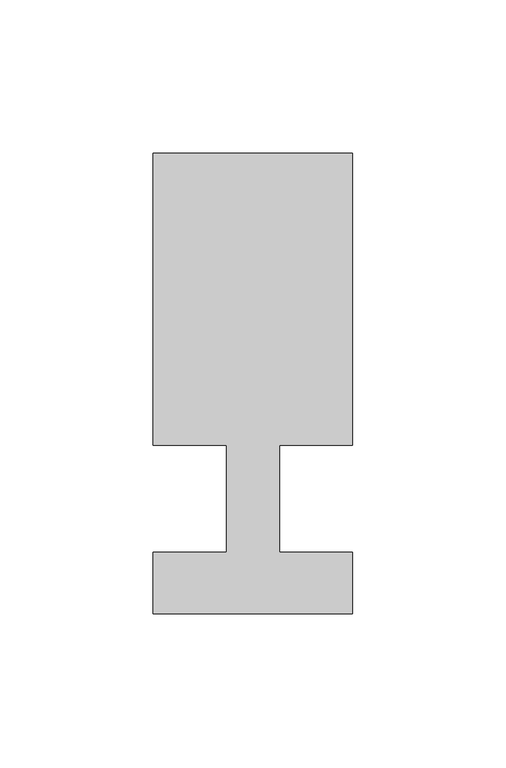
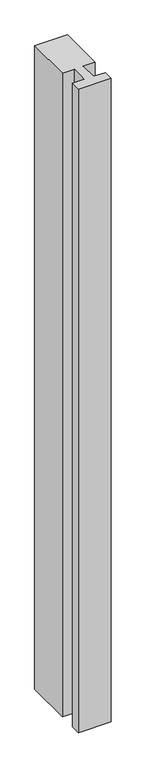
"""IFC4 building model written with IfcOpenShell, lengths in millimetres: member geometry."""

from ifc_helpers import new_model, si_unit, frame, origin, place, context, project, spatial, polyline, outline, extrude, source, transform, mapped, element, save


def member_9f8cdb8f(model_context):
    return source(origin(), model_context, "Body", "SweptSolid", [
        extrude(outline(polyline([(-32.5, -37.0), (-32.5, -17.0), (-8.6875, -17.0), (-8.6875, 18.0), (-32.5, 18.0), (-32.5, 113.0), (32.5, 113.0), (32.5, 18.0), (8.6875, 18.0), (8.6875, -17.0), (32.5, -17.0), (32.5, -37.0), (-32.5, -37.0)])), frame((0.0, 0.0, -1350.0), z_axis=(0.0, 0.0, 1.0), x_axis=(1.0, 0.0, 0.0)), (0.0, 0.0, 1.0), 1350.0),
    ])


if __name__ == "__main__":
    model = new_model("IFC4")
    model_context = context("Model", 3, world=origin())
    ifc_project = project(units=[si_unit("LENGTHUNIT", "METRE", prefix="MILLI")], contexts=[model_context])
    site = spatial("IfcSite", under=ifc_project)
    building = spatial("IfcBuilding", under=site)
    placement = place(None, origin())
    member_shape = member_9f8cdb8f(model_context)
    element("IfcMember", 1, at=placement, inside=building, context=model_context, shape_type="MappedRepresentation", body=[
        mapped(member_shape, transform((0.0, 0.0, 0.0), x_axis=(1.0, 0.0, 0.0), y_axis=(0.0, 1.0, 0.0), z_axis=(0.0, 0.0, 1.0))),
    ])
    save(model, "model.ifc")
